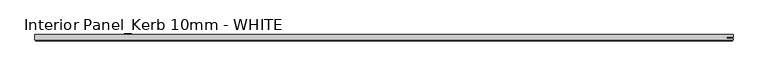
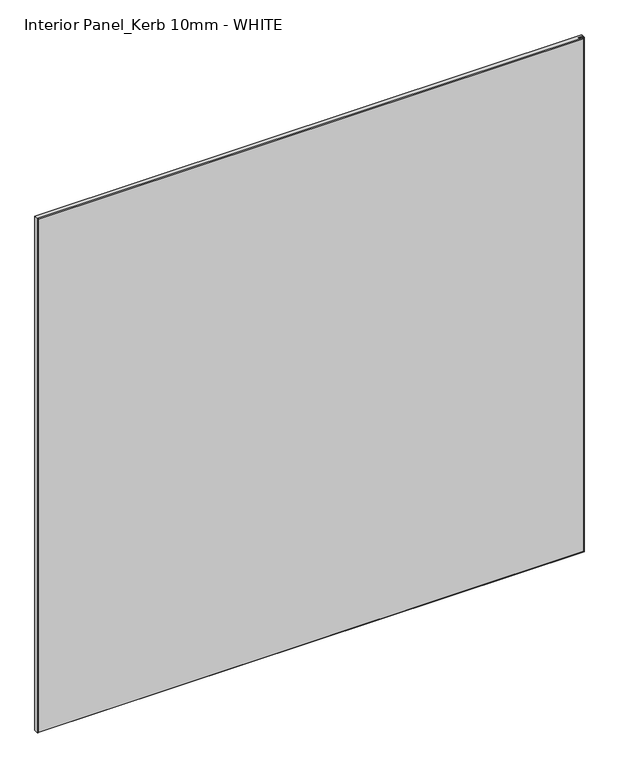
"""IFC4 building model written with IfcOpenShell, lengths in millimetres: proxy geometry, Interior Panel_Kerb 10mm - WHITE."""

from ifc_helpers import new_model, si_unit, origin, place, context, project, spatial, faceted_brep, source, transform, mapped, element, save


def interior_panel_kerb_10mm_white_160cdd67(model_context):
    return source(origin(), model_context, "Body", "Brep", [
        faceted_brep([(996.95, 3.175, 1063.625), (-73.025, 3.175, 1063.625), (-73.025, -4.7625, 1063.625), (996.95, -4.7625, 1063.625), (996.95, -2.6543, 1063.625), (987.1273437, -2.6543, 1063.625), (987.1273437, -0.5207, 1063.625), (996.95, -0.5207, 1063.625), (996.95, 3.175, 0.0), (996.95, -0.5207, 0.0), (987.1273437, -0.5207, 0.0), (987.1273437, -2.6543, 0.0), (996.95, -2.6543, 0.0), (996.95, -4.7625, 0.0), (-73.025, -4.7625, 0.0), (-73.025, 3.175, 0.0), (-71.4375, -6.35, 1062.0375), (-71.4375, -6.35, 1.5875), (995.3625, -6.35, 1.5875), (995.3625, -6.35, 1062.0375)], [[[0, 1, 2, 3, 4, 5, 6, 7]], [[8, 9, 10, 11, 12, 13, 14, 15]], [[1, 0, 8, 15]], [[2, 1, 15, 14]], [[16, 17, 18, 19]], [[4, 3, 13, 12]], [[2, 14, 17, 16]], [[13, 3, 19, 18]], [[3, 2, 16, 19]], [[14, 13, 18, 17]], [[5, 4, 12, 11]], [[6, 5, 11, 10]], [[7, 6, 10, 9]], [[0, 7, 9, 8]]]),
    ])


if __name__ == "__main__":
    model = new_model("IFC4")
    model_context = context("Model", 3, world=origin())
    ifc_project = project(units=[si_unit("LENGTHUNIT", "METRE", prefix="MILLI")], contexts=[model_context])
    site = spatial("IfcSite", under=ifc_project)
    building = spatial("IfcBuilding", under=site)
    placement = place(None, origin())
    interior_panel_kerb_10mm_white_shape = interior_panel_kerb_10mm_white_160cdd67(model_context)
    element("IfcBuildingElementProxy", 1, Name="Interior Panel_Kerb 10mm - WHITE", ObjectType="Interior Panel_Kerb 10mm - WHITE", at=placement, inside=building, context=model_context, shape_type="MappedRepresentation", body=[
        mapped(interior_panel_kerb_10mm_white_shape, transform((0.0, 0.0, 0.0), x_axis=(1.0, 0.0, 0.0), y_axis=(0.0, 1.0, 0.0), z_axis=(0.0, 0.0, 1.0))),
    ])
    save(model, "model.ifc")
